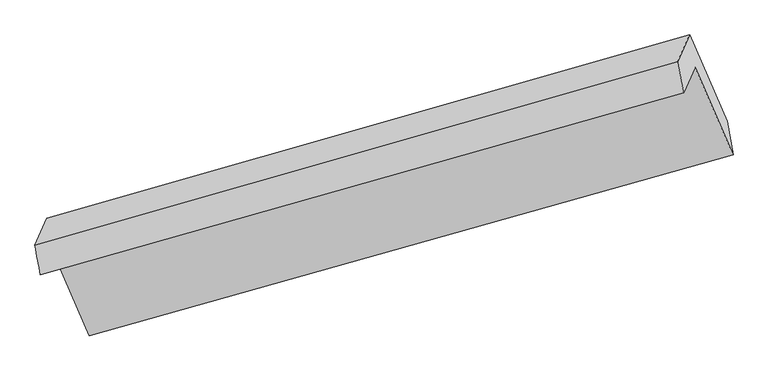
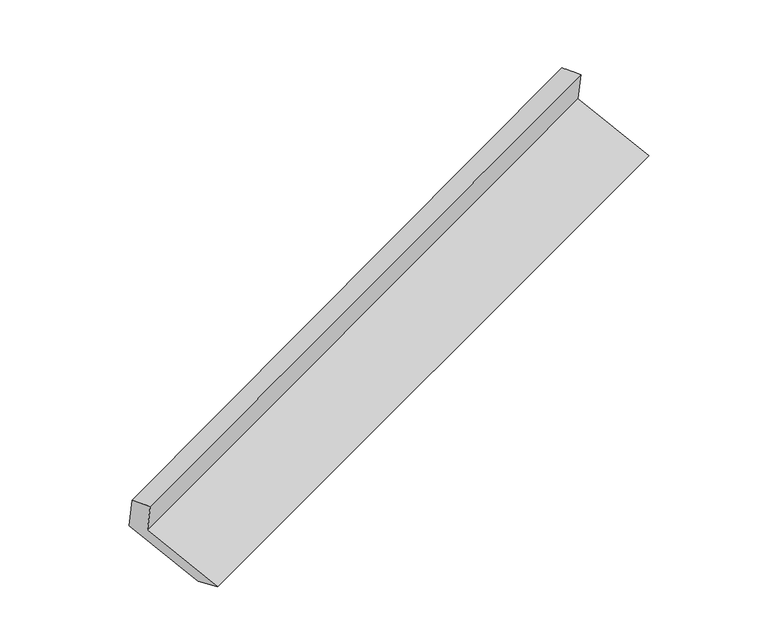
"""IFC4 building model written with IfcOpenShell, lengths in millimetres: proxy geometry."""

import ifcopenshell
import ifcopenshell.guid

model = None  # the IFC model being written
_history = None  # IfcOwnerHistory: only IFC2X3 demands one
_inside = {}  # id of a spatial element -> (the spatial element, [elements in it])
_under = {}  # id of a project, library or spatial element -> (it, [spatial elements below it])
_declared = {}  # id of a project -> (the project, [libraries it declares])
_typed = {}  # id of a type object -> (the type object, [elements of that type])
_made_of = {}  # id of a material, layer set ... -> (it, [elements and type objects made of it])


def new_model(schema):
    """Start an empty IFC model of exactly this schema.

    Asked for "IFC4X3", IfcOpenShell would pick the latest addendum, in which some entities
    have other attributes; the version numbers below select the first issue.
    IFC2X3 requires an IfcOwnerHistory on every rooted entity: one is made here for all.
    """
    global model, _history
    if schema == "IFC4X3":
        model = ifcopenshell.file(schema_version=(4, 3, 0, 0))
    else:
        model = ifcopenshell.file(schema=schema)
    _inside.clear()
    _under.clear()
    _declared.clear()
    _typed.clear()
    _made_of.clear()
    _history = None
    if model.schema == "IFC2X3":
        org = make("IfcOrganization", Name="unknown")
        user = make(
            "IfcPersonAndOrganization",
            ThePerson=make("IfcPerson", FamilyName="unknown"),
            TheOrganization=org,
        )
        app = make(
            "IfcApplication",
            ApplicationDeveloper=org,
            Version="unknown",
            ApplicationFullName="unknown",
            ApplicationIdentifier="unknown",
        )
        _history = make(
            "IfcOwnerHistory",
            OwningUser=user,
            OwningApplication=app,
            ChangeAction="ADDED",
            CreationDate=0,
        )
    return model


def make(cls, **values):
    """One entity of the class cls with the attributes given. An attribute that is None is left unset."""
    return model.create_entity(
        cls, **{name: value for name, value in values.items() if value is not None}
    )


def rooted(cls, **values):
    """An entity with a GlobalId (a new one), such as an element, a storey or a relation."""
    return make(cls, GlobalId=ifcopenshell.guid.new(), OwnerHistory=_history, **values)


def si_unit(unit_type, name, prefix=None):
    """IfcSIUnit, for example si_unit("LENGTHUNIT", "METRE", prefix="MILLI")."""
    return make("IfcSIUnit", UnitType=unit_type, Prefix=prefix, Name=name)


def assignment(units):
    """IfcUnitAssignment: the units of a project."""
    return None if units is None else make("IfcUnitAssignment", Units=units)


def point(xyz):
    """IfcCartesianPoint."""
    return None if xyz is None else make("IfcCartesianPoint", Coordinates=xyz)


def direction(xyz):
    """IfcDirection."""
    return None if xyz is None else make("IfcDirection", DirectionRatios=xyz)


def frame(location, z_axis=None, x_axis=None):
    """IfcAxis2Placement3D, a coordinate frame: its origin and axes. An axis left out is left unset."""
    return make(
        "IfcAxis2Placement3D",
        Location=point(location),
        Axis=direction(z_axis),
        RefDirection=direction(x_axis),
    )


def origin():
    """The frame at (0, 0, 0) with its axes left unset."""
    return frame((0.0, 0.0, 0.0))


def place(relative_to, where):
    """IfcLocalPlacement: puts the frame where relative to a parent placement (None: the world)."""
    return make(
        "IfcLocalPlacement", PlacementRelTo=relative_to, RelativePlacement=where
    )


def context(
    kind, dimensions, precision=None, world=None, true_north=None, identifier=None
):
    """IfcGeometricRepresentationContext, for example the 3D "Model" context."""
    return make(
        "IfcGeometricRepresentationContext",
        ContextIdentifier=identifier,
        ContextType=kind,
        CoordinateSpaceDimension=dimensions,
        Precision=precision,
        WorldCoordinateSystem=world,
        TrueNorth=true_north,
    )


def project(units=None, contexts=None):
    """IfcProject with its units and contexts."""
    return rooted(
        "IfcProject",
        Name="project",
        RepresentationContexts=contexts,
        UnitsInContext=assignment(units),
    )


def spatial(cls, under=None, at=None, **own):
    """A site, building, storey or space (cls), placed at a placement, below another one or the project."""
    s = rooted(cls, ObjectPlacement=at, **own)
    if under is not None:
        _under.setdefault(under.id(), (under, []))[1].append(s)
    return s


def shape(context_of_items, identifier, shape_type, items):
    """IfcShapeRepresentation: the items that make up one representation, for example the "Body"."""
    return make(
        "IfcShapeRepresentation",
        ContextOfItems=context_of_items,
        RepresentationIdentifier=identifier,
        RepresentationType=shape_type,
        Items=items,
    )


def source(mapping_origin, context_of_items, identifier, shape_type, items):
    """IfcRepresentationMap: a shape defined once, which mapped items show again and again."""
    return make(
        "IfcRepresentationMap",
        MappingOrigin=mapping_origin,
        MappedRepresentation=shape(context_of_items, identifier, shape_type, items),
    )


def transform(
    local_origin,
    x_axis=None,
    y_axis=None,
    z_axis=None,
    scale=None,
    scale2=None,
    scale3=None,
    uniform=True,
):
    """IfcCartesianTransformationOperator3D, or its non-uniform kind. x_axis, y_axis, z_axis: its Axis1, 2, 3."""
    if uniform:
        return make(
            "IfcCartesianTransformationOperator3D",
            Axis1=direction(x_axis),
            Axis2=direction(y_axis),
            LocalOrigin=point(local_origin),
            Scale=scale,
            Axis3=direction(z_axis),
        )
    return make(
        "IfcCartesianTransformationOperator3DnonUniform",
        Axis1=direction(x_axis),
        Axis2=direction(y_axis),
        LocalOrigin=point(local_origin),
        Scale=scale,
        Axis3=direction(z_axis),
        Scale2=scale2,
        Scale3=scale3,
    )


def mapped(mapping_source, mapping_target):
    """IfcMappedItem: shows the shape of a source again, moved by a transform."""
    return make(
        "IfcMappedItem", MappingSource=mapping_source, MappingTarget=mapping_target
    )


def made_of(thing, what):
    """Note that an element or type object is made of a material, layer set ...; save() writes the relation."""
    if what is not None:
        _made_of.setdefault(what.id(), (what, []))[1].append(thing)
    return thing


def element(
    cls,
    number,
    at=None,
    inside=None,
    cuts=None,
    type_object=None,
    material=None,
    context=None,
    identifier="Body",
    shape_type=None,
    held_by="IfcProductDefinitionShape",
    body=None,
    shapes=None,
    **own,
):
    """One element of the class cls, such as IfcWall. Its Tag is "e" and its number.

    at: its placement. inside: the storey or other place that contains it. cuts: it is an
    opening in that element (IfcRelVoidsElement). A single representation is given by context,
    identifier, shape_type and body (its items); several are given by shapes. held_by: the class
    of the entity that holds the representations. save() writes the other relations.
    """
    e = rooted(cls, Tag="e%d" % number, ObjectPlacement=at, **own)
    if body is not None:
        shapes = [shape(context, identifier, shape_type, body)]
    if shapes is not None:
        e.Representation = make(held_by, Representations=shapes)
    if inside is not None:
        _inside.setdefault(inside.id(), (inside, []))[1].append(e)
    if cuts is not None:
        rooted(
            "IfcRelVoidsElement", RelatingBuildingElement=cuts, RelatedOpeningElement=e
        )
    if type_object is not None:
        _typed.setdefault(type_object.id(), (type_object, []))[1].append(e)
    return made_of(e, material)


def aggregate(whole, parts):
    """IfcRelAggregates: a whole, such as a stair, and the parts it consists of."""
    return rooted("IfcRelAggregates", RelatingObject=whole, RelatedObjects=parts)


def save(model, path):
    """Write the relations noted so far, then the file.

    IfcRelAggregates (storeys below a building ...), IfcRelContainedInSpatialStructure (elements
    in a storey), IfcRelDefinesByType, IfcRelAssociatesMaterial and IfcRelDeclares: one each for
    every whole, place, type object, material and project.
    """
    for whole, parts in _under.values():
        aggregate(whole, parts)
    for where, things in _inside.values():
        rooted(
            "IfcRelContainedInSpatialStructure",
            RelatedElements=things,
            RelatingStructure=where,
        )
    for kind, things in _typed.values():
        rooted("IfcRelDefinesByType", RelatedObjects=things, RelatingType=kind)
    for what, things in _made_of.values():
        rooted("IfcRelAssociatesMaterial", RelatedObjects=things, RelatingMaterial=what)
    for by, libraries in _declared.values():
        rooted("IfcRelDeclares", RelatingContext=by, RelatedDefinitions=libraries)
    model.write(path)


def plane_surface(at):
    """IfcPlane: the flat surface through the origin of the frame at, square to its z axis."""
    return make("IfcPlane", Position=at)


def spline_surface(u_degree, v_degree, points, u_multiplicities, v_multiplicities, u_knots, v_knots, weights=None):
    """IfcBSplineSurfaceWithKnots; with weights, IfcRationalBSplineSurfaceWithKnots. points: one row for each step in u."""
    own = dict(
        UDegree=u_degree,
        VDegree=v_degree,
        ControlPointsList=[[point(p) for p in row] for row in points],
        SurfaceForm="UNSPECIFIED",
        UClosed=False,
        VClosed=False,
        SelfIntersect=False,
        UMultiplicities=u_multiplicities,
        VMultiplicities=v_multiplicities,
        UKnots=u_knots,
        VKnots=v_knots,
        KnotSpec="UNSPECIFIED",
    )
    if weights is None:
        return make("IfcBSplineSurfaceWithKnots", **own)
    return make("IfcRationalBSplineSurfaceWithKnots", WeightsData=weights, **own)


def advanced_brep(points, edges, surfaces, faces):
    """IfcAdvancedBrep: a solid bounded by faces that lie on surfaces and meet in shared edges.

    An edge is (start, end): straight between two places in points (the first is 0);
    or (start, end, curve); or (start, end, curve, False) where it runs against its curve.
    A face is (place in surfaces, loops), or (place, loops, False) where it looks against
    its surface's normal. A loop lists edges by number (the first is 1), with a minus sign
    where the edge is run from its end to its start. The first loop is the outer one.
    """
    corners = [point(p) for p in points]
    vertices = [make("IfcVertexPoint", VertexGeometry=c) for c in corners]
    made = []
    for start, end, *more in edges:
        made.append(
            make(
                "IfcEdgeCurve",
                EdgeStart=vertices[start],
                EdgeEnd=vertices[end],
                EdgeGeometry=more[0] if more else make("IfcPolyline", Points=[corners[start], corners[end]]),
                SameSense=more[1] if len(more) > 1 else True,
            )
        )
    hull = []
    for where, loops, *sense in faces:
        bounds = []
        for j, loop in enumerate(loops):
            ring = [make("IfcOrientedEdge", EdgeElement=made[abs(k) - 1], Orientation=k > 0) for k in loop]
            bounds.append(
                make(
                    "IfcFaceOuterBound" if j == 0 else "IfcFaceBound",
                    Bound=make("IfcEdgeLoop", EdgeList=ring),
                    Orientation=True,
                )
            )
        hull.append(make("IfcAdvancedFace", Bounds=bounds, FaceSurface=surfaces[where], SameSense=sense[0] if sense else True))
    return make("IfcAdvancedBrep", Outer=make("IfcClosedShell", CfsFaces=hull))


def generic_models_9c6fdd2f(model_context):
    return source(origin(), model_context, "Body", "AdvancedBrep", [
        advanced_brep(
        [(-5120.1528306, -2138.38687, 1482.5132434), (-5044.3492097, -1967.0757664, 1141.5256088), (-757.8611946, -752.862249, 2704.4549241), (-833.6648155, -924.1733526, 3045.4425587), (-5156.8663167, -1941.7622715, 1429.3986985), (-874.1091461, -718.9520308, 2995.8175909), (-5077.16592, -1761.6447157, 1070.8821867), (-794.4087494, -538.8344751, 2637.3010791), (-4830.8637409, -2329.1815607, 840.5079495), (-544.3757259, -1114.9680433, 2403.4372648), (-4794.3161862, -2543.2093346, 907.6617945), (-504.0973267, -1337.5925406, 2467.1015327)],
        [
            (0, 1),
            (1, 2),
            (2, 3),
            (3, 0),
            (4, 0),
            (3, 5),
            (5, 4),
            (6, 4),
            (5, 7),
            (7, 6),
            (8, 6),
            (7, 9),
            (9, 8),
            (10, 8),
            (9, 11),
            (11, 10),
            (1, 10),
            (11, 2),
        ],
        [
            plane_surface(frame((-5082.2510201, -2052.7313182, 1312.0194261), z_axis=(0.37116231196912464, -0.8602189687003089, -0.34965964031027574), x_axis=(0.1948387906028141, 0.44032261034982645, -0.8764438627152042))),
            spline_surface(1, 1, [[(-5156.8663167, -1941.7622715, 1429.3986985), (-874.1091461, -718.9520308, 2995.8175909)], [(-5120.1528306, -2138.38687, 1482.5132434), (-833.6648155, -924.1733526, 3045.4425587)]], [2, 2], [2, 2], [0.0, 1.0], [0.0, 1.0]),
            plane_surface(frame((-5117.0161184, -1851.7034936, 1250.1404426), z_axis=(-0.3730844438276508, 0.8596723300029042, 0.3489577091872168), x_axis=(-0.1948387906028138, -0.4403226103498264, 0.8764438627152042))),
            plane_surface(frame((-4954.0148305, -2045.4131382, 955.6950681), z_axis=(0.1948387906028148, 0.4403226103498299, -0.8764438627152024), x_axis=(-0.37308444382765676, 0.8596723300029012, 0.3489577091872178))),
            spline_surface(1, 1, [[(-4794.3161862, -2543.2093346, 907.6617945), (-504.0973267, -1337.5925406, 2467.1015327)], [(-4830.8637409, -2329.1815607, 840.5079495), (-544.3757259, -1114.9680433, 2403.4372648)]], [2, 2], [2, 2], [0.0, 1.0], [0.0, 1.0]),
            plane_surface(frame((-4919.3326979, -2255.1425505, 1024.5937016), z_axis=(-0.19483879060281478, -0.44032261034982884, 0.8764438627152029), x_axis=(0.3730844438276548, -0.8596723300029022, -0.34895770918721747))),
            plane_surface(frame((-718.0861597, -897.8971152, 2708.9258251), z_axis=(0.907108506988134, 0.2589970730376992, 0.33177503327957536), x_axis=(-0.37308444382765676, 0.8596723300029012, 0.3489577091872178))),
            plane_surface(frame((-5003.9523673, -2113.5434198, 1145.4149136), z_axis=(-0.9071085069881326, -0.25899707303770203, -0.33177503327957675), x_axis=(-0.1948387906028141, -0.44032261034982645, 0.8764438627152042))),
        ],
        [
            (0, [[1, 2, 3, 4]]),
            (1, [[5, -4, 6, 7]]),
            (2, [[8, -7, 9, 10]]),
            (3, [[11, -10, 12, 13]]),
            (4, [[14, -13, 15, 16]]),
            (5, [[17, -16, 18, -2]]),
            (6, [[-12, -9, -6, -3, -18, -15]]),
            (7, [[-1, -5, -8, -11, -14, -17]]),
        ],
    ),
    ])


if __name__ == "__main__":
    model = new_model("IFC4")
    model_context = context("Model", 3, world=origin())
    ifc_project = project(units=[si_unit("LENGTHUNIT", "METRE", prefix="MILLI")], contexts=[model_context])
    site = spatial("IfcSite", under=ifc_project)
    building = spatial("IfcBuilding", under=site)
    placement = place(None, origin())
    generic_models_shape = generic_models_9c6fdd2f(model_context)
    element("IfcBuildingElementProxy", 1, Name="Generic Models", at=placement, inside=building, context=model_context, shape_type="MappedRepresentation", body=[
        mapped(generic_models_shape, transform((0.0, 0.0, 0.0), x_axis=(1.0, 0.0, 0.0), y_axis=(0.0, 1.0, 0.0), z_axis=(0.0, 0.0, 1.0))),
    ])
    save(model, "model.ifc")
